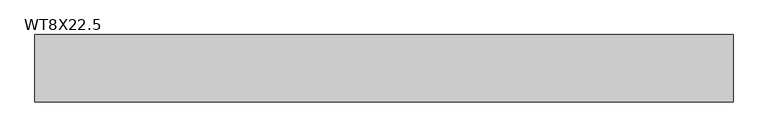
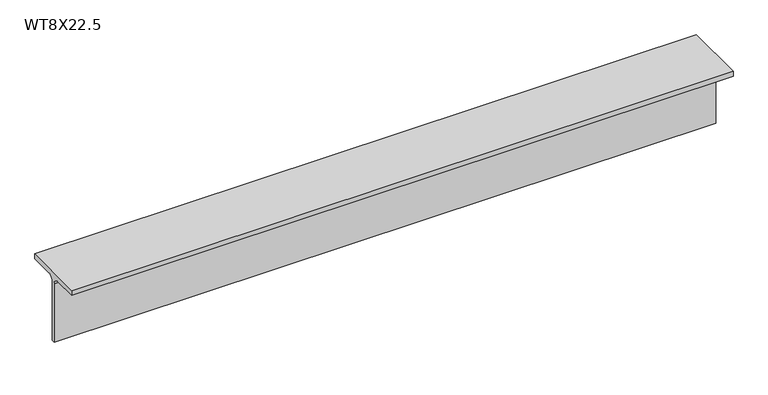
"""IFC4 building model written with IfcOpenShell, lengths in millimetres: beam geometry, WT8X22.5."""

from ifc_helpers import new_model, si_unit, point, frame, frame_2d, origin, place, context, project, spatial, polyline, circle_curve, trimmed, segment, composite_curve, outline, extrude, source, transform, mapped, element, save


def wt8x22_5_8152b1b9(model_context):
    return source(origin(), model_context, "Body", "SweptSolid", [
        extrude(outline(composite_curve([segment(polyline([(-89.408, 102.489), (89.408, 102.489), (89.408, 88.138), (21.7805, 88.138)]), True, "CONTINUOUS"), segment(trimmed(circle_curve(frame_2d((21.7805, 70.739)), 17.399), [point((21.7805, 88.138))], [point((4.3815, 70.739))], True, "CARTESIAN"), True, "CONTINUOUS"), segment(polyline([(4.3815, 70.739), (4.3815, -102.489), (-4.3815, -102.489), (-4.3815, 70.739)]), True, "CONTINUOUS"), segment(trimmed(circle_curve(frame_2d((-21.7805, 70.739)), 17.399), [point((-4.3815, 70.739))], [point((-21.7805, 88.138))], True, "CARTESIAN"), True, "CONTINUOUS"), segment(polyline([(-21.7805, 88.138), (-89.408, 88.138), (-89.408, 102.489)]), True, "CONTINUOUS")], self_intersect=False)), frame((-926.3217282, 0.0, 0.0), z_axis=(1.0, 0.0, 0.0), x_axis=(0.0, 1.0, 0.0)), (0.0, 0.0, 1.0), 1854.0276327),
    ])


if __name__ == "__main__":
    model = new_model("IFC4")
    model_context = context("Model", 3, world=origin())
    ifc_project = project(units=[si_unit("LENGTHUNIT", "METRE", prefix="MILLI")], contexts=[model_context])
    site = spatial("IfcSite", under=ifc_project)
    building = spatial("IfcBuilding", under=site)
    placement = place(None, origin())
    wt8x22_5_shape = wt8x22_5_8152b1b9(model_context)
    element("IfcBeam", 1, ObjectType="WT8X22.5", at=placement, inside=building, context=model_context, shape_type="MappedRepresentation", body=[
        mapped(wt8x22_5_shape, transform((0.0, 0.0, 0.0), x_axis=(1.0, 0.0, 0.0), y_axis=(0.0, 1.0, 0.0), z_axis=(0.0, 0.0, 1.0))),
    ])
    save(model, "model.ifc")
